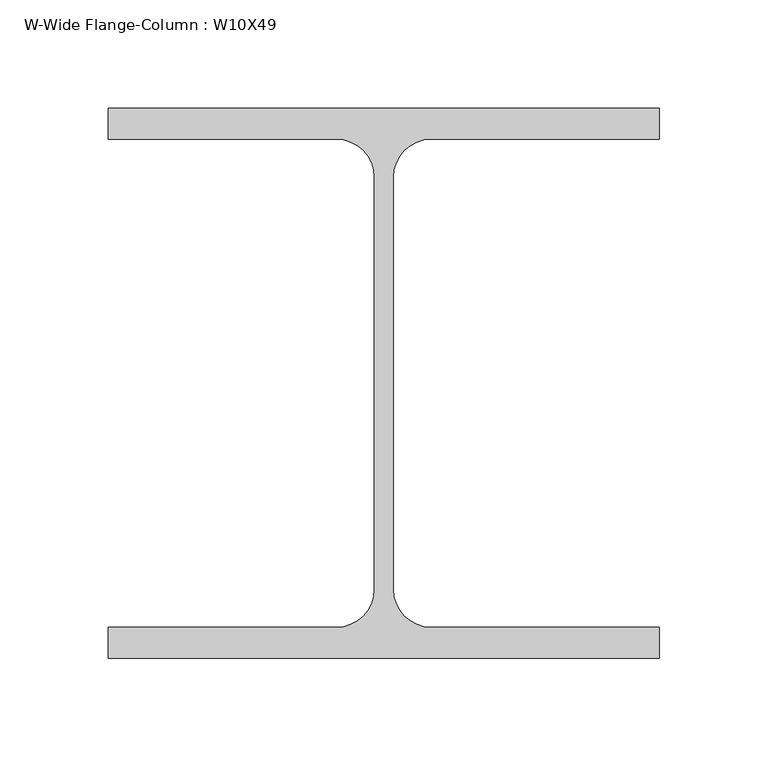
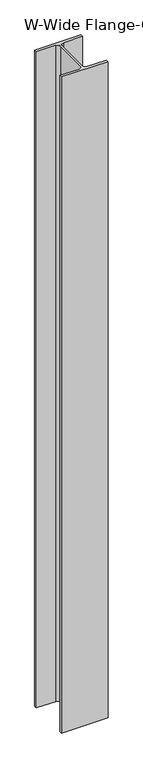
"""IFC4 building model written with IfcOpenShell, lengths in millimetres: column geometry, W-Wide Flange-Column : W10X49."""

from ifc_helpers import new_model, si_unit, point, frame, frame_2d, origin, place, context, project, spatial, polyline, circle_curve, trimmed, segment, composite_curve, outline, extrude, source, transform, mapped, element, save


def w_wide_flange_column_w10x49_a6a7c20c(model_context):
    return source(origin(), model_context, "Body", "SweptSolid", [
        extrude(outline(composite_curve([segment(polyline([(127.0, 126.7519531), (127.0, 112.5636719), (21.8777344, 112.5636719)]), True, "CONTINUOUS"), segment(trimmed(circle_curve(frame_2d((21.8777344, 95.0019531)), 17.5617188), [point((21.8777344, 112.5636719))], [point((4.3160156, 95.0019531))], True, "CARTESIAN"), True, "CONTINUOUS"), segment(polyline([(4.3160156, 95.0019531), (4.3160156, -95.0019531)]), True, "CONTINUOUS"), segment(trimmed(circle_curve(frame_2d((21.8777344, -95.0019531)), 17.5617187), [point((4.3160156, -95.0019531))], [point((21.8777344, -112.5636719))], True, "CARTESIAN"), True, "CONTINUOUS"), segment(polyline([(21.8777344, -112.5636719), (127.0, -112.5636719), (127.0, -126.7519531), (-127.0, -126.7519531), (-127.0, -112.5636719), (-21.8777344, -112.5636719)]), True, "CONTINUOUS"), segment(trimmed(circle_curve(frame_2d((-21.8777344, -95.0019531)), 17.5617187), [point((-21.8777344, -112.5636719))], [point((-4.3160156, -95.0019531))], True, "CARTESIAN"), True, "CONTINUOUS"), segment(polyline([(-4.3160156, -95.0019531), (-4.3160156, 95.0019531)]), True, "CONTINUOUS"), segment(trimmed(circle_curve(frame_2d((-21.8777344, 95.0019531)), 17.5617188), [point((-4.3160156, 95.0019531))], [point((-21.8777344, 112.5636719))], True, "CARTESIAN"), True, "CONTINUOUS"), segment(polyline([(-21.8777344, 112.5636719), (-127.0, 112.5636719), (-127.0, 126.7519531), (127.0, 126.7519531)]), True, "CONTINUOUS")], self_intersect=False)), frame((0.0, 0.0, 3835.4), z_axis=(0.0, 0.0, 1.0), x_axis=(1.0, 0.0, 0.0)), (0.0, 0.0, 1.0), 3784.6),
    ])


if __name__ == "__main__":
    model = new_model("IFC4")
    model_context = context("Model", 3, world=origin())
    ifc_project = project(units=[si_unit("LENGTHUNIT", "METRE", prefix="MILLI")], contexts=[model_context])
    site = spatial("IfcSite", under=ifc_project)
    building = spatial("IfcBuilding", under=site)
    placement = place(None, origin())
    w_wide_flange_column_w10x49_shape = w_wide_flange_column_w10x49_a6a7c20c(model_context)
    element("IfcColumn", 1, ObjectType="W-Wide Flange-Column : W10X49", at=placement, inside=building, context=model_context, shape_type="MappedRepresentation", body=[
        mapped(w_wide_flange_column_w10x49_shape, transform((0.0, 0.0, 0.0), x_axis=(1.0, 0.0, 0.0), y_axis=(0.0, 1.0, 0.0), z_axis=(0.0, 0.0, 1.0))),
    ])
    save(model, "model.ifc")
